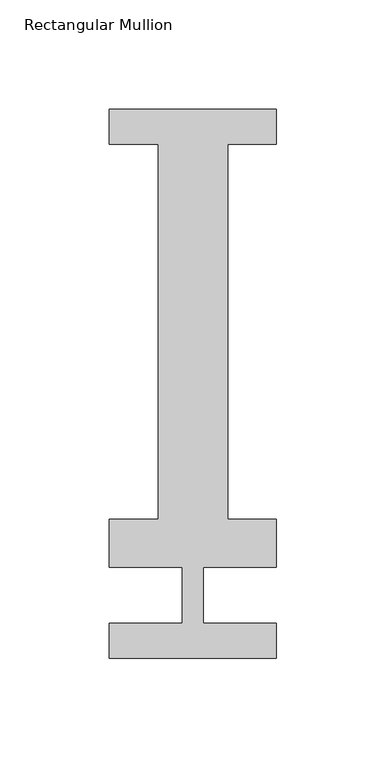
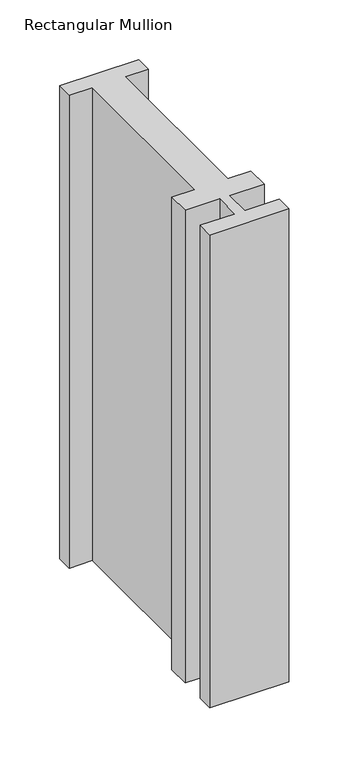
"""IFC4 building model written with IfcOpenShell, lengths in millimetres: member geometry, Rectangular Mullion."""

from ifc_helpers import new_model, si_unit, frame, origin, place, context, project, spatial, polyline, outline, extrude, source, transform, mapped, element, save


def rectangular_mullion_3c379b69(model_context):
    return source(origin(), model_context, "Body", "SweptSolid", [
        extrude(outline(polyline([(38.1, 221.996), (38.1, 206.121), (15.875, 206.121), (15.875, 34.671), (38.1, 34.671), (38.1, 12.7), (4.7625, 12.7), (4.7625, -12.7), (38.1, -12.7), (38.1, -28.830618), (-38.1, -28.830618), (-38.1, -12.7), (-4.7625, -12.7), (-4.7625, 12.7), (-38.1, 12.7), (-38.1, 34.671), (-15.875, 34.671), (-15.875, 206.121), (-38.1, 206.121), (-38.1, 221.996), (38.1, 221.996)])), frame((0.0, 0.0, -482.6), z_axis=(0.0, 0.0, 1.0), x_axis=(1.0, 0.0, 0.0)), (0.0, 0.0, 1.0), 482.6),
    ])


if __name__ == "__main__":
    model = new_model("IFC4")
    model_context = context("Model", 3, world=origin())
    ifc_project = project(units=[si_unit("LENGTHUNIT", "METRE", prefix="MILLI")], contexts=[model_context])
    site = spatial("IfcSite", under=ifc_project)
    building = spatial("IfcBuilding", under=site)
    placement = place(None, origin())
    rectangular_mullion_shape = rectangular_mullion_3c379b69(model_context)
    element("IfcMember", 1, ObjectType="Rectangular Mullion", at=placement, inside=building, context=model_context, shape_type="MappedRepresentation", body=[
        mapped(rectangular_mullion_shape, transform((0.0, 0.0, 0.0), x_axis=(1.0, 0.0, 0.0), y_axis=(0.0, 1.0, 0.0), z_axis=(0.0, 0.0, 1.0))),
    ])
    save(model, "model.ifc")
